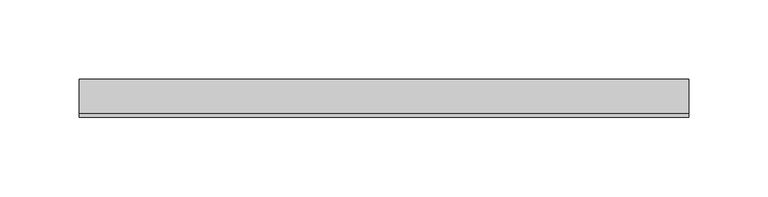
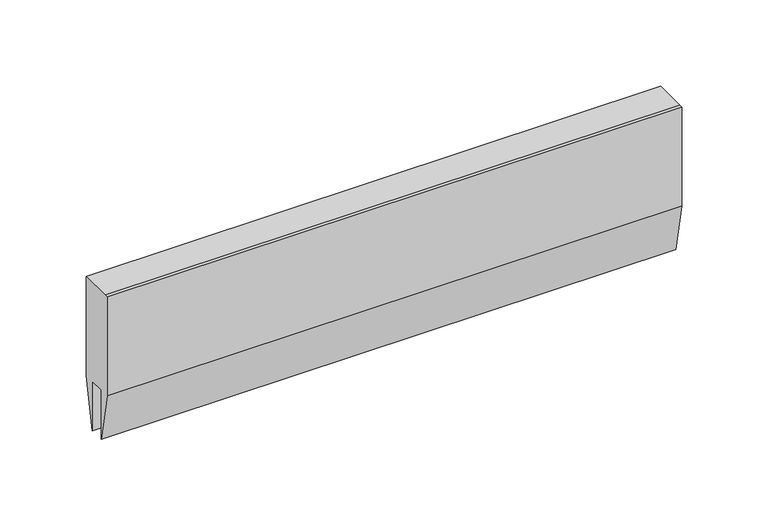
"""IFC4 building model written with IfcOpenShell, lengths in millimetres: proxy geometry."""

from ifc_helpers import new_model, si_unit, frame, origin, place, context, project, spatial, polyline, outline, extrude, source, transform, mapped, element, save


def specialty_equipment_949ea981(model_context):
    return source(origin(), model_context, "Body", "SweptSolid", [
        extrude(outline(polyline([(12.0, 49.0), (12.0, -21.0), (5.0, -56.0), (5.0, -21.0), (-5.0, -21.0), (-5.0, -56.0), (-12.0, -21.0), (-12.0, 49.0), (-9.692747, 49.0), (12.0, 49.0)])), frame((-191.8888889, 0.0, 0.0), z_axis=(1.0, 0.0, 0.0), x_axis=(0.0, 1.0, 0.0)), (0.0, 0.0, 1.0), 383.7777778),
    ])


if __name__ == "__main__":
    model = new_model("IFC4")
    model_context = context("Model", 3, world=origin())
    ifc_project = project(units=[si_unit("LENGTHUNIT", "METRE", prefix="MILLI")], contexts=[model_context])
    site = spatial("IfcSite", under=ifc_project)
    building = spatial("IfcBuilding", under=site)
    placement = place(None, origin())
    specialty_equipment_shape = specialty_equipment_949ea981(model_context)
    element("IfcBuildingElementProxy", 1, Name="Specialty Equipment", at=placement, inside=building, context=model_context, shape_type="MappedRepresentation", body=[
        mapped(specialty_equipment_shape, transform((0.0, 0.0, 0.0), x_axis=(1.0, 0.0, 0.0), y_axis=(0.0, 1.0, 0.0), z_axis=(0.0, 0.0, 1.0))),
    ])
    save(model, "model.ifc")
